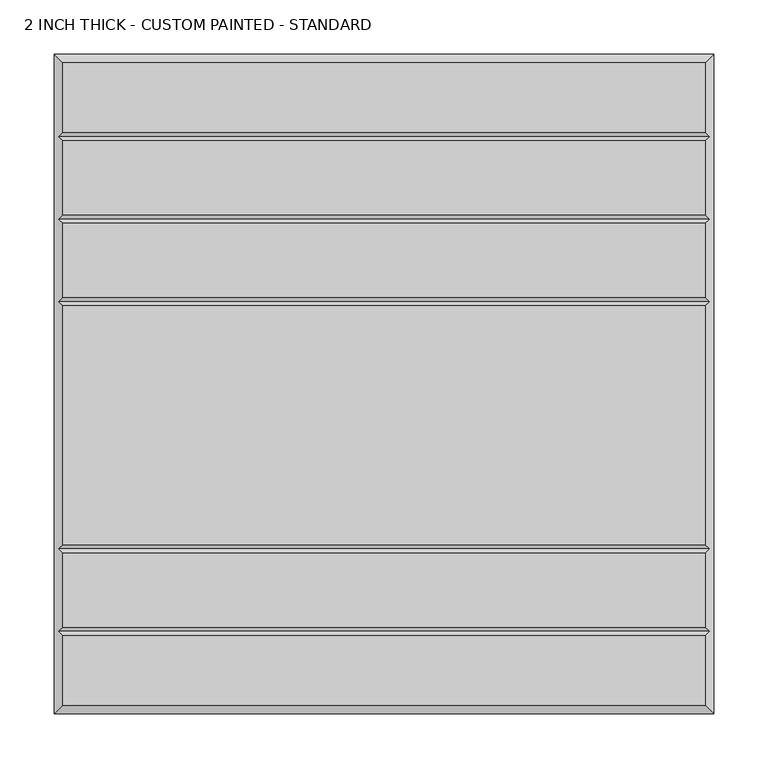
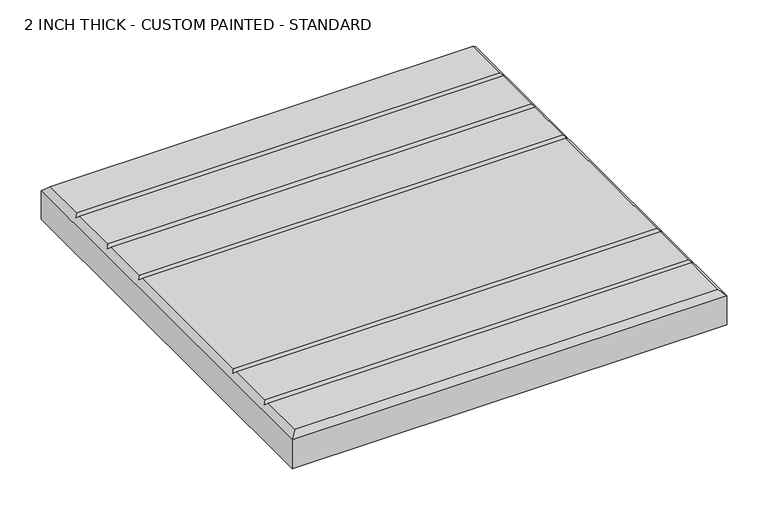
"""IFC4 building model written with IfcOpenShell, lengths in millimetres: proxy geometry, 2 INCH THICK - CUSTOM PAINTED - STANDARD."""

from ifc_helpers import new_model, si_unit, origin, place, context, project, spatial, faceted_brep, source, transform, mapped, element, save


def proxy_2_inch_thick_custom_painted_standard_a1210af6(model_context):
    return source(origin(), model_context, "Body", "Brep", [
        faceted_brep([(296.799, 296.799, 50.8), (-296.799, 296.799, 50.8), (-296.799, 232.6005, 50.8), (296.799, 232.6005, 50.8), (-296.799, -296.799, 50.8), (296.799, -296.799, 50.8), (296.799, -232.6005, 50.8), (-296.799, -232.6005, 50.8), (296.799, 148.3995, 50.8), (-296.799, 148.3995, 50.8), (-296.799, 80.2005, 50.8), (296.799, 80.2005, 50.8), (-296.799, 156.4005, 50.8), (296.799, 156.4005, 50.8), (296.799, 224.5995, 50.8), (-296.799, 224.5995, 50.8), (296.799, 72.1995, 50.8), (-296.799, 72.1995, 50.8), (-296.799, -148.3995, 50.8), (296.799, -148.3995, 50.8), (296.799, -156.4005, 50.8), (-296.799, -156.4005, 50.8), (-296.799, -224.5995, 50.8), (296.799, -224.5995, 50.8), (-304.8, 304.8, 0.0), (304.8, 304.8, 0.0), (304.8, -304.8, 0.0), (-304.8, -304.8, 0.0), (-304.8, -304.8, 42.799), (-304.8, 304.8, 42.799), (304.8, -304.8, 42.799), (304.8, 304.8, 42.799), (-300.7995, -228.6, 46.7995), (-300.7995, -152.4, 46.7995), (-300.7995, 76.2, 46.7995), (-300.7995, 152.4, 46.7995), (-300.7995, 228.6, 46.7995), (300.7995, 228.6, 46.7995), (300.7995, 152.4, 46.7995), (300.7995, 76.2, 46.7995), (300.7995, -152.4, 46.7995), (300.7995, -228.6, 46.7995)], [[[0, 1, 2, 3]], [[4, 5, 6, 7]], [[8, 9, 10, 11]], [[12, 13, 14, 15]], [[16, 17, 18, 19]], [[20, 21, 22, 23]], [[24, 25, 26, 27]], [[24, 27, 28, 29]], [[27, 26, 30, 28]], [[26, 25, 31, 30]], [[25, 24, 29, 31]], [[29, 1, 0, 31]], [[1, 29, 28, 4, 7, 32, 22, 21, 33, 18, 17, 34, 10, 9, 35, 12, 15, 36, 2]], [[4, 28, 30, 5]], [[31, 0, 3, 37, 14, 13, 38, 8, 11, 39, 16, 19, 40, 20, 23, 41, 6, 5, 30]], [[38, 35, 9, 8]], [[35, 38, 13, 12]], [[39, 34, 17, 16]], [[34, 39, 11, 10]], [[40, 33, 21, 20]], [[33, 40, 19, 18]], [[41, 32, 7, 6]], [[32, 41, 23, 22]], [[37, 36, 15, 14]], [[36, 37, 3, 2]]]),
    ])


if __name__ == "__main__":
    model = new_model("IFC4")
    model_context = context("Model", 3, world=origin())
    ifc_project = project(units=[si_unit("LENGTHUNIT", "METRE", prefix="MILLI")], contexts=[model_context])
    site = spatial("IfcSite", under=ifc_project)
    building = spatial("IfcBuilding", under=site)
    placement = place(None, origin())
    proxy_2_inch_thick_custom_painted_standard_shape = proxy_2_inch_thick_custom_painted_standard_a1210af6(model_context)
    element("IfcBuildingElementProxy", 1, Name="2 INCH THICK - CUSTOM PAINTED - STANDARD", ObjectType="2 INCH THICK - CUSTOM PAINTED - STANDARD", at=placement, inside=building, context=model_context, shape_type="MappedRepresentation", body=[
        mapped(proxy_2_inch_thick_custom_painted_standard_shape, transform((0.0, 0.0, 0.0), x_axis=(1.0, 0.0, 0.0), y_axis=(0.0, 1.0, 0.0), z_axis=(0.0, 0.0, 1.0))),
    ])
    save(model, "model.ifc")
